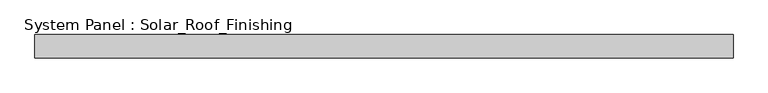
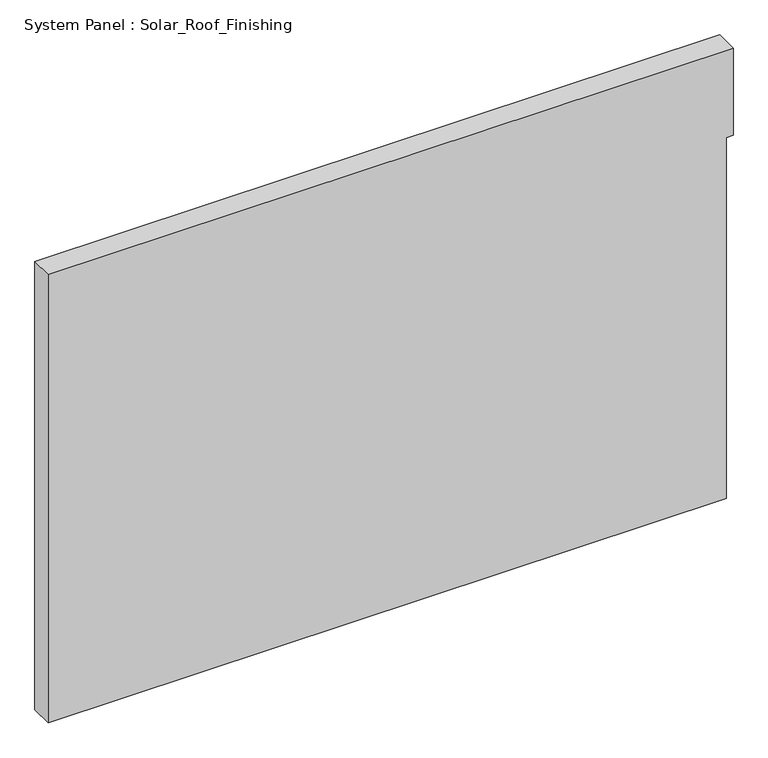
"""IFC4 building model written with IfcOpenShell, lengths in millimetres: plate geometry, System Panel : Solar_Roof_Finishing."""

from ifc_helpers import new_model, si_unit, frame, origin, place, context, project, spatial, polyline, outline, extrude, source, transform, mapped, element, save


def system_panel_solar_roof_finishing_135f2cdc(model_context):
    return source(origin(), model_context, "Body", "SweptSolid", [
        extrude(outline(polyline([(0.0, -895.5), (0.0, 877.5), (998.889113, 877.5), (998.889113, 895.5), (1240.0, 895.5), (1240.0, -895.5), (0.0, -895.5)])), frame((0.0, -10.5, 0.0), z_axis=(0.0, 1.0, 0.0), x_axis=(0.0, 0.0, 1.0)), (0.0, 0.0, 1.0), 60.0),
    ])


if __name__ == "__main__":
    model = new_model("IFC4")
    model_context = context("Model", 3, world=origin())
    ifc_project = project(units=[si_unit("LENGTHUNIT", "METRE", prefix="MILLI")], contexts=[model_context])
    site = spatial("IfcSite", under=ifc_project)
    building = spatial("IfcBuilding", under=site)
    placement = place(None, origin())
    system_panel_solar_roof_finishing_shape = system_panel_solar_roof_finishing_135f2cdc(model_context)
    element("IfcPlate", 1, ObjectType="System Panel : Solar_Roof_Finishing", at=placement, inside=building, context=model_context, shape_type="MappedRepresentation", body=[
        mapped(system_panel_solar_roof_finishing_shape, transform((0.0, 0.0, 0.0), x_axis=(1.0, 0.0, 0.0), y_axis=(0.0, 1.0, 0.0), z_axis=(0.0, 0.0, 1.0))),
    ])
    save(model, "model.ifc")
